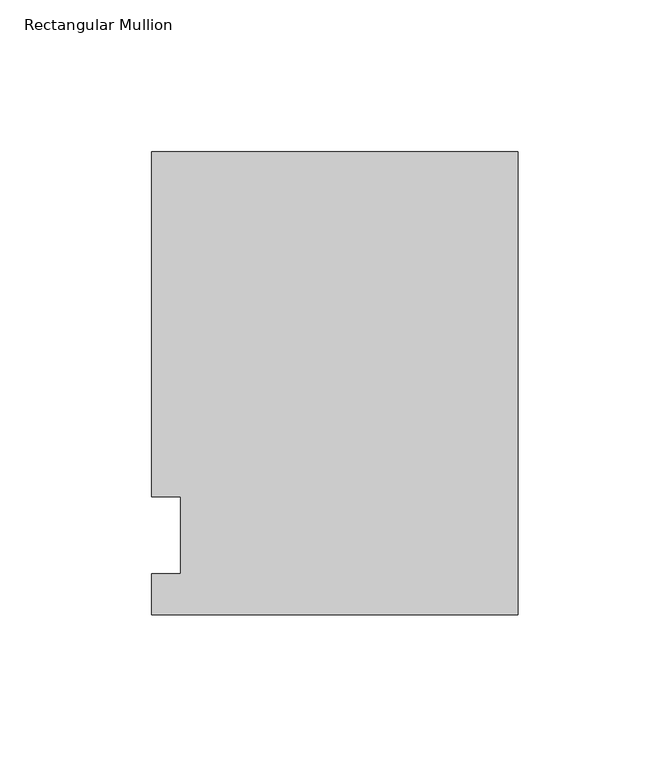
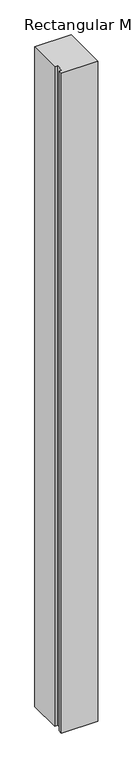
"""IFC4 building model written with IfcOpenShell, lengths in millimetres: member geometry, Rectangular Mullion."""

from ifc_helpers import new_model, si_unit, frame, origin, place, context, project, spatial, polyline, outline, extrude, source, transform, mapped, element, save


def rectangular_mullion_ec0fa201(model_context):
    return source(origin(), model_context, "Body", "SweptSolid", [
        extrude(outline(polyline([(0.0, -26.19375), (-120.65, -26.19375), (-120.65, -12.7), (-111.125, -12.7), (-111.125, 12.7), (-120.65, 12.7), (-120.65, 126.20625), (0.0, 126.20625), (0.0, -26.19375)])), frame((0.0, 0.0, -2311.3923531), z_axis=(0.0, 0.0, 1.0), x_axis=(1.0, 0.0, 0.0)), (0.0, 0.0, 1.0), 2311.3923531),
    ])


if __name__ == "__main__":
    model = new_model("IFC4")
    model_context = context("Model", 3, world=origin())
    ifc_project = project(units=[si_unit("LENGTHUNIT", "METRE", prefix="MILLI")], contexts=[model_context])
    site = spatial("IfcSite", under=ifc_project)
    building = spatial("IfcBuilding", under=site)
    placement = place(None, origin())
    rectangular_mullion_shape = rectangular_mullion_ec0fa201(model_context)
    element("IfcMember", 1, ObjectType="Rectangular Mullion", at=placement, inside=building, context=model_context, shape_type="MappedRepresentation", body=[
        mapped(rectangular_mullion_shape, transform((0.0, 0.0, 0.0), x_axis=(1.0, 0.0, 0.0), y_axis=(0.0, 1.0, 0.0), z_axis=(0.0, 0.0, 1.0))),
    ])
    save(model, "model.ifc")
